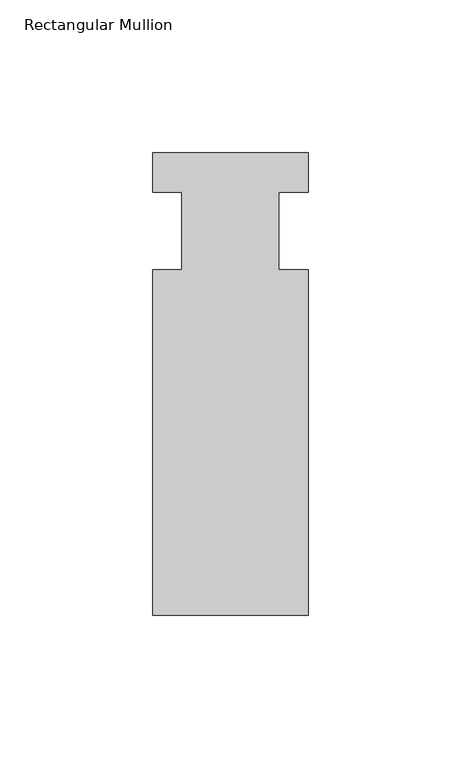
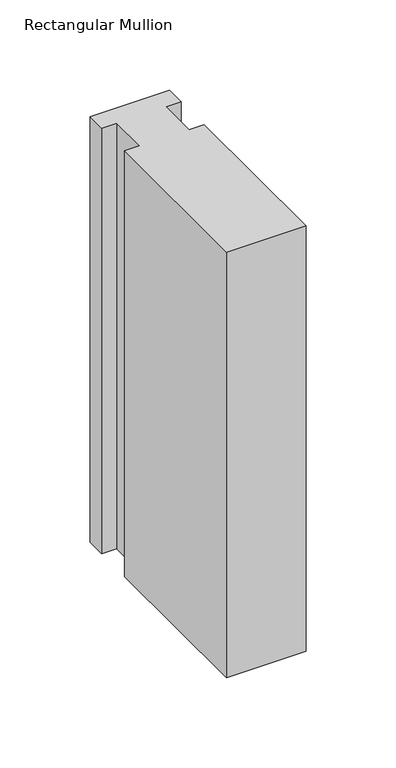
"""IFC4 building model written with IfcOpenShell, lengths in millimetres: member geometry, Rectangular Mullion."""

from ifc_helpers import new_model, si_unit, frame, origin, place, context, project, spatial, polyline, outline, extrude, source, transform, mapped, element, save


def rectangular_mullion_fd59bc87(model_context):
    return source(origin(), model_context, "Body", "SweptSolid", [
        extrude(outline(polyline([(-25.4, 25.5984375), (25.4, 25.5984375), (25.4, 12.7), (15.875, 12.7), (15.875, -12.7), (25.4, -12.7), (25.4, -125.6109375), (-25.4, -125.6109375), (-25.4, -12.7), (-15.875, -12.7), (-15.875, 12.7), (-25.4, 12.7), (-25.4, 25.5984375)])), frame((0.0, 0.0, -287.8666667), z_axis=(0.0, 0.0, 1.0), x_axis=(1.0, 0.0, 0.0)), (0.0, 0.0, 1.0), 287.8666667),
    ])


if __name__ == "__main__":
    model = new_model("IFC4")
    model_context = context("Model", 3, world=origin())
    ifc_project = project(units=[si_unit("LENGTHUNIT", "METRE", prefix="MILLI")], contexts=[model_context])
    site = spatial("IfcSite", under=ifc_project)
    building = spatial("IfcBuilding", under=site)
    placement = place(None, origin())
    rectangular_mullion_shape = rectangular_mullion_fd59bc87(model_context)
    element("IfcMember", 1, ObjectType="Rectangular Mullion", at=placement, inside=building, context=model_context, shape_type="MappedRepresentation", body=[
        mapped(rectangular_mullion_shape, transform((0.0, 0.0, 0.0), x_axis=(1.0, 0.0, 0.0), y_axis=(0.0, 1.0, 0.0), z_axis=(0.0, 0.0, 1.0))),
    ])
    save(model, "model.ifc")
